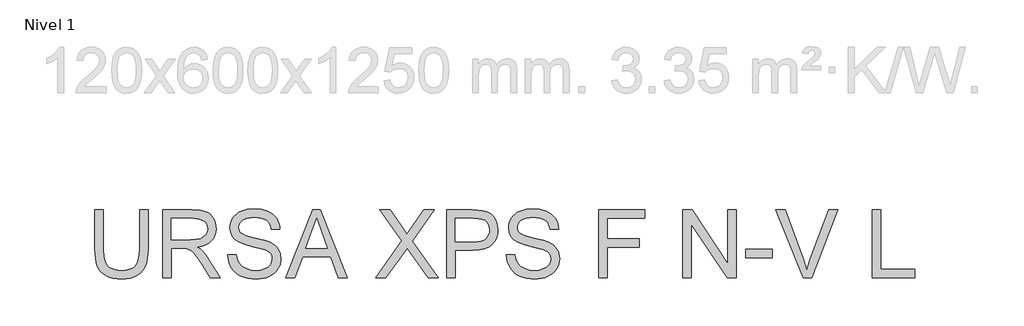
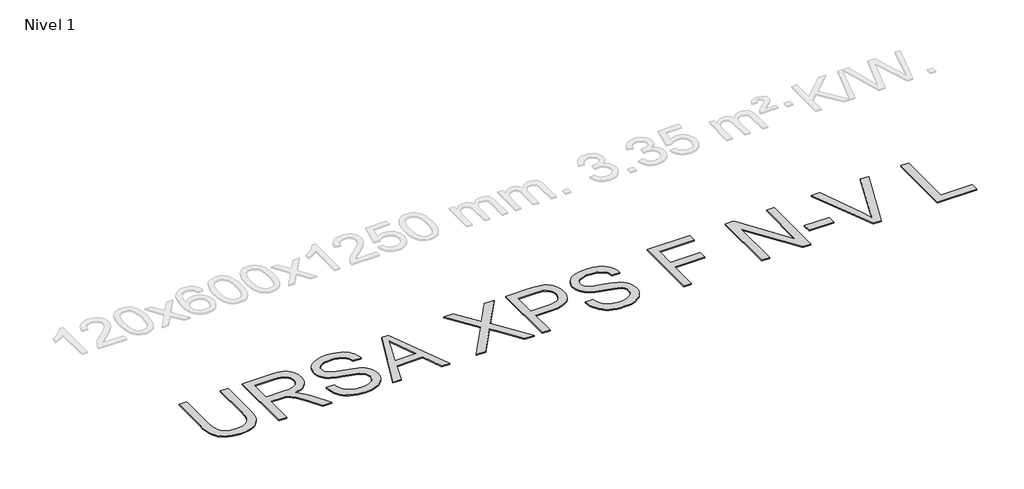
# One storey, part 4 of 6: 1 proxy.
"""IFC4 building model written with IfcOpenShell, lengths in millimetres."""

from ifc_helpers import new_model, si_unit, origin, origin_with_axes, place, context, project, spatial, polyline, outline, extrude, element, save

model = new_model("IFC4")

# Units and contexts
model_context = context("Model", 3, world=origin())
ifc_project = project(units=[si_unit("LENGTHUNIT", "METRE", prefix="MILLI")], contexts=[model_context])

# Site, building, storey
site = spatial("IfcSite", under=ifc_project)
building = spatial("IfcBuilding", under=site)
storey = spatial("IfcBuildingStorey", under=building, Name="Nivel 1", Elevation=0.0)

# Proxy
placement = place(None, origin())
element("IfcBuildingElementProxy", 1, Name="Texto de modelo 3", ObjectType="Texto de modelo 3", at=placement, inside=storey, context=model_context, shape_type="SweptSolid", body=[
    extrude(outline(polyline([(-12572.7237179, -13823.3522814), (-12497.3814853, -13823.3522814), (-12497.3814853, -14171.0743432), (-12502.495045, -14252.5050228), (-12508.8869947, -14286.1984151), (-12517.8357242, -14315.2105089), (-12530.1137858, -14340.6403518), (-12546.4937316, -14363.5869913), (-12566.9755617, -14384.0504273), (-12591.559276, -14402.0306598), (-12620.2724657, -14416.6769617), (-12653.142722, -14427.1386059), (-12690.1700448, -14433.4155925), (-12731.3544342, -14435.5079213), (-12771.5225495, -14433.6869055), (-12807.8554951, -14428.2238578), (-12840.3532708, -14419.1187784), (-12869.0158768, -14406.3716673), (-12893.8479115, -14390.1710639), (-12914.8539734, -14370.7055079), (-12932.0340626, -14347.9749991), (-12945.388179, -14321.9795376), (-12955.3991678, -14291.8270096), (-12962.5498741, -14256.6253012), (-12966.8402978, -14216.3744124), (-12968.2704391, -14171.0743432), (-12968.2704391, -13823.3522814), (-12892.9282065, -13823.3522814), (-12892.9282065, -14168.4255928), (-12889.2125983, -14236.134274), (-12878.0657739, -14283.2783517), (-12869.3009853, -14300.6561775), (-12857.8690523, -14315.9278788), (-12843.7699749, -14329.0934557), (-12827.0037529, -14340.1529082), (-12786.7574627, -14355.1624936), (-12738.4177685, -14360.1656887), (-12696.8930883, -14357.6916823), (-12661.7879489, -14350.269663), (-12633.1023503, -14337.899631), (-12610.8362926, -14320.581586), (-12594.1620411, -14296.227798), (-12582.2518615, -14262.7505364), (-12575.1057538, -14220.1498014), (-12572.7237179, -14168.4255928), (-12572.7237179, -13823.3522814)])), origin_with_axes(), (0.0, 0.0, 1.0), 10.0),
    extrude(outline(polyline([(-12365.5325782, -14426.0901423), (-12365.5325782, -13823.3522814), (-12105.8078896, -13823.3522814), (-12036.002281, -13827.4173774), (-11985.2161716, -13839.6126655), (-11965.6172583, -13849.3063561), (-11948.0968783, -13862.1270436), (-11932.6550315, -13878.0747281), (-11919.291718, -13897.1494096), (-11908.5081771, -13918.3256169), (-11900.8056478, -13940.5778791), (-11896.1841302, -13963.9061961), (-11894.6436244, -13988.310568), (-11897.1958057, -14019.2678379), (-11904.8523497, -14047.686722), (-11917.6132564, -14073.5672204), (-11935.4785258, -14096.909333), (-11958.6780841, -14116.9680988), (-11987.4418576, -14132.9985567), (-12021.7698463, -14145.0007068), (-12061.6620502, -14152.974549), (-12036.8300155, -14169.198145), (-12018.8405859, -14185.2010118), (-11987.9752865, -14221.8052703), (-11957.7721747, -14262.7505364), (-11857.2668136, -14426.0901423), (-11944.8227285, -14426.0901423), (-12023.2551699, -14301.1574167), (-12079.9089971, -14218.4575442), (-12100.9702414, -14194.3428794), (-12119.713829, -14179.3884763), (-12155.5455353, -14165.0410785), (-12199.2499164, -14162.3923281), (-12290.1903456, -14162.3923281), (-12290.1903456, -14426.0901423), (-12365.5325782, -14426.0901423)]), holes=[polyline([(-12290.1903456, -14087.0500955), (-12121.553239, -14087.0500955), (-12073.1215743, -14084.382951), (-12035.5424285, -14076.3815176), (-12007.2523031, -14062.5123664), (-11986.6876996, -14042.2420685), (-11974.1613176, -14017.7227335), (-11969.985857, -13991.1064712), (-11971.9770183, -13971.8386517), (-11977.9505022, -13954.3550598), (-11987.9063087, -13938.6556957), (-12001.8444378, -13924.7405592), (-12020.0867862, -13913.3454144), (-12042.9552507, -13905.2060253), (-12070.4498313, -13900.3223918), (-12102.570528, -13898.694514), (-12290.1903456, -13898.694514), (-12290.1903456, -14087.0500955)])]), origin_with_axes(), (0.0, 0.0, 1.0), 10.0),
    extrude(outline(polyline([(-11791.0480545, -14218.8990026), (-11715.7058219, -14218.8990026), (-11707.060595, -14260.7087913), (-11691.4256102, -14294.3148116), (-11667.0350339, -14320.9862562), (-11632.1230326, -14341.9923182), (-11589.4487212, -14355.6223461), (-11541.7712146, -14360.1656887), (-11499.7958789, -14356.7259921), (-11463.0444676, -14346.4069021), (-11433.2644201, -14330.0729415), (-11412.2031759, -14308.588633), (-11399.6767939, -14283.9221452), (-11395.5013333, -14258.0416469), (-11398.6283303, -14232.8233361), (-11408.0093211, -14211.0263279), (-11427.0656085, -14192.429893), (-11459.2184949, -14176.8133023), (-11568.9209058, -14148.0449303), (-11640.9338064, -14129.007037), (-11687.0110263, -14110.8888488), (-11724.5165957, -14085.5417793), (-11751.0960698, -14054.8236327), (-11766.9333897, -14019.3965966), (-11772.2124964, -13979.9228585), (-11770.58002, -13957.4866553), (-11765.6825909, -13935.7954132), (-11757.5202092, -13914.8491321), (-11746.0928747, -13894.647812), (-11731.5293462, -13876.014589), (-11713.9583824, -13859.7725989), (-11693.3799833, -13845.9218418), (-11669.7941489, -13834.4623176), (-11616.7823534, -13819.0664561), (-11558.1051752, -13813.9345023), (-11494.5351664, -13819.3055794), (-11438.9114087, -13835.4188108), (-11414.5760148, -13847.4209609), (-11393.2204649, -13861.9431027), (-11374.8447593, -13878.9852361), (-11359.4488978, -13898.5473612), (-11347.1524421, -13920.0592608), (-11338.0749539, -13942.950718), (-11332.2164331, -13967.2217326), (-11329.5768798, -13992.8723047), (-11404.9191124, -13992.8723047), (-11409.9590957, -13968.8312163), (-11418.7514754, -13947.9171249), (-11431.2962514, -13930.1300305), (-11447.5934238, -13915.4699329), (-11467.9464952, -13904.0104088), (-11492.6589682, -13895.8250344), (-11521.7308429, -13890.9138098), (-11555.1621192, -13889.2767349), (-11589.6602533, -13890.8954157), (-11619.1367982, -13895.751458), (-11643.5917538, -13903.8448619), (-11663.0251202, -13915.1756274), (-11677.8323705, -13928.7964582), (-11688.4089779, -13943.7600584), (-11694.7549423, -13960.0664278), (-11696.8702638, -13977.7155665), (-11695.3711446, -13992.8998959), (-11690.8737872, -14006.6678796), (-11683.3781916, -14019.0195175), (-11672.8843577, -14029.9548098), (-11656.3664561, -14040.310688), (-11630.357199, -14050.7769308), (-11549.8646185, -14072.0405101), (-11466.796864, -14092.2372316), (-11416.5441834, -14109.8587792), (-11373.5939605, -14137.1924114), (-11356.9886869, -14153.2596576), (-11343.629972, -14170.9271904), (-11333.3614658, -14190.1030394), (-11326.0268185, -14210.6952341), (-11320.1591007, -14256.1286605), (-11321.8467593, -14279.6961008), (-11326.9097353, -14302.5737624), (-11335.3480286, -14324.7616452), (-11347.1616391, -14346.2597493), (-11362.1436334, -14366.2357416), (-11380.0870777, -14383.8572892), (-11400.9919721, -14399.124392), (-11424.8583165, -14412.03705), (-11450.9917337, -14422.3055562), (-11478.6978465, -14429.6402035), (-11538.8281586, -14435.5079213), (-11577.3683961, -14433.9260288), (-11612.643681, -14429.180351), (-11644.6540131, -14421.2708881), (-11673.3993925, -14410.1976401), (-11699.0545631, -14395.9422127), (-11721.7942689, -14378.4862121), (-11741.6185099, -14357.829638), (-11758.5272861, -14333.9724907), (-11772.148117, -14307.6873221), (-11782.108522, -14279.7466846), (-11788.4085012, -14250.1505781), (-11791.0480545, -14218.8990026)])), origin_with_axes(), (0.0, 0.0, 1.0), 10.0),
    extrude(outline(polyline([(-11277.3376365, -14426.0901423), (-11036.7428116, -13823.3522814), (-10972.5841916, -13823.3522814), (-10731.9893668, -14426.0901423), (-10811.5990306, -14426.0901423), (-10880.6136929, -14237.7345607), (-11128.8604632, -14237.7345607), (-11197.7279727, -14426.0901423), (-11277.3376365, -14426.0901423)]), holes=[polyline([(-11101.1957372, -14162.3923281), (-10908.1312661, -14162.3923281), (-10962.4306486, -14014.2094605), (-11004.6635016, -13898.694514), (-11042.1874651, -14001.2600142), (-11101.1957372, -14162.3923281)])]), origin_with_axes(), (0.0, 0.0, 1.0), 10.0),
    extrude(outline(polyline([(-10481.9767629, -14426.0901423), (-10249.6224947, -14097.645097), (-10444.3056466, -13823.3522814), (-10353.9538286, -13823.3522814), (-10244.324994, -13977.7155665), (-10218.1685841, -14016.8214226), (-10207.3896417, -14037.9010609), (-10164.126719, -13976.6854969), (-10055.6751069, -13823.3522814), (-9963.9989137, -13823.3522814), (-10158.6820655, -14098.5280137), (-9926.3277974, -14426.0901423), (-10016.6796154, -14426.0901423), (-10171.4843589, -14207.7153899), (-10203.7108217, -14162.3923281), (-10239.1746461, -14212.1299739), (-10390.3005697, -14426.0901423), (-10481.9767629, -14426.0901423)])), origin_with_axes(), (0.0, 0.0, 1.0), 10.0),
    extrude(outline(polyline([(-9850.9855648, -14426.0901423), (-9850.9855648, -13823.3522814), (-9627.6076173, -13823.3522814), (-9575.5891032, -13824.7870211), (-9537.5501049, -13829.0912405), (-9497.3957851, -13839.8150006), (-9464.3415878, -13857.2710013), (-9437.7253255, -13882.2501888), (-9416.8848104, -13915.5435093), (-9403.4203294, -13954.8149123), (-9398.9321691, -13997.7283471), (-9401.962597, -14034.7280787), (-9411.0538808, -14068.7663603), (-9426.2060205, -14099.8431919), (-9447.419016, -14127.9585734), (-9476.5414745, -14151.2638978), (-9515.4220029, -14167.910558), (-9564.0606011, -14177.8985542), (-9622.4572693, -14181.2278863), (-9775.6433321, -14181.2278863), (-9775.6433321, -14426.0901423), (-9850.9855648, -14426.0901423)]), holes=[polyline([(-9775.6433321, -14105.8856537), (-9618.0426854, -14105.8856537), (-9581.8063089, -14104.1566083), (-9551.2353151, -14098.9694721), (-9526.329704, -14090.3242453), (-9507.0894757, -14078.2209276), (-9492.7328808, -14062.981416), (-9482.4781702, -14044.9276071), (-9476.3253438, -14024.0595009), (-9474.2744017, -14000.3770974), (-9479.1120499, -13966.5319539), (-9493.6249946, -13937.9843111), (-9516.010614, -13916.5000025), (-9544.4662864, -13903.8448619), (-9573.528964, -13899.982101), (-9619.808519, -13898.694514), (-9775.6433321, -13898.694514), (-9775.6433321, -14105.8856537)])]), origin_with_axes(), (0.0, 0.0, 1.0), 10.0),
    extrude(outline(polyline([(-9323.5899365, -14218.8990026), (-9248.2477039, -14218.8990026), (-9239.602477, -14260.7087913), (-9223.9674922, -14294.3148116), (-9199.5769159, -14320.9862562), (-9164.6649146, -14341.9923182), (-9121.9906031, -14355.6223461), (-9074.3130965, -14360.1656887), (-9032.3377609, -14356.7259921), (-8995.5863496, -14346.4069021), (-8965.8063021, -14330.0729415), (-8944.7450578, -14308.588633), (-8932.2186759, -14283.9221452), (-8928.0432153, -14258.0416469), (-8931.1702122, -14232.8233361), (-8940.5512031, -14211.0263279), (-8959.6074904, -14192.429893), (-8991.7603768, -14176.8133023), (-9101.4627878, -14148.0449303), (-9173.4756883, -14129.007037), (-9219.5529082, -14110.8888488), (-9257.0584776, -14085.5417793), (-9283.6379518, -14054.8236327), (-9299.4752717, -14019.3965966), (-9304.7543783, -13979.9228585), (-9303.121902, -13957.4866553), (-9298.2244729, -13935.7954132), (-9290.0620911, -13914.8491321), (-9278.6347567, -13894.647812), (-9264.0712282, -13876.014589), (-9246.5002644, -13859.7725989), (-9225.9218653, -13845.9218418), (-9202.3360309, -13834.4623176), (-9149.3242354, -13819.0664561), (-9090.6470571, -13813.9345023), (-9027.0770484, -13819.3055794), (-8971.4532907, -13835.4188108), (-8947.1178967, -13847.4209609), (-8925.7623469, -13861.9431027), (-8907.3866412, -13878.9852361), (-8891.9907797, -13898.5473612), (-8879.694324, -13920.0592608), (-8870.6168358, -13942.950718), (-8864.758315, -13967.2217326), (-8862.1187617, -13992.8723047), (-8937.4609943, -13992.8723047), (-8942.5009777, -13968.8312163), (-8951.2933573, -13947.9171249), (-8963.8381334, -13930.1300305), (-8980.1353058, -13915.4699329), (-9000.4883772, -13904.0104088), (-9025.2008502, -13895.8250344), (-9054.2727248, -13890.9138098), (-9087.7040012, -13889.2767349), (-9122.2021353, -13890.8954157), (-9151.6786801, -13895.751458), (-9176.1336357, -13903.8448619), (-9195.5670021, -13915.1756274), (-9210.3742525, -13928.7964582), (-9220.9508598, -13943.7600584), (-9227.2968242, -13960.0664278), (-9229.4121457, -13977.7155665), (-9227.9130266, -13992.8998959), (-9223.4156692, -14006.6678796), (-9215.9200735, -14019.0195175), (-9205.4262396, -14029.9548098), (-9188.908338, -14040.310688), (-9162.899081, -14050.7769308), (-9082.4065004, -14072.0405101), (-8999.3387459, -14092.2372316), (-8949.0860654, -14109.8587792), (-8906.1358424, -14137.1924114), (-8889.5305689, -14153.2596576), (-8876.1718539, -14170.9271904), (-8865.9033477, -14190.1030394), (-8858.5687005, -14210.6952341), (-8852.7009826, -14256.1286605), (-8854.3886413, -14279.6961008), (-8859.4516173, -14302.5737624), (-8867.8899105, -14324.7616452), (-8879.7035211, -14346.2597493), (-8894.6855153, -14366.2357416), (-8912.6289597, -14383.8572892), (-8933.533854, -14399.124392), (-8957.4001985, -14412.03705), (-8983.5336157, -14422.3055562), (-9011.2397285, -14429.6402035), (-9071.3700406, -14435.5079213), (-9109.9102781, -14433.9260288), (-9145.1855629, -14429.180351), (-9177.195895, -14421.2708881), (-9205.9412744, -14410.1976401), (-9231.596445, -14395.9422127), (-9254.3361509, -14378.4862121), (-9274.1603919, -14357.829638), (-9291.0691681, -14333.9724907), (-9304.689999, -14307.6873221), (-9314.650404, -14279.7466846), (-9320.9503832, -14250.1505781), (-9323.5899365, -14218.8990026)])), origin_with_axes(), (0.0, 0.0, 1.0), 10.0),
    extrude(outline(polyline([(-8504.2431568, -14426.0901423), (-8504.2431568, -13823.3522814), (-8099.2786565, -13823.3522814), (-8099.2786565, -13898.694514), (-8428.9009242, -13898.694514), (-8428.9009242, -14077.6323164), (-8146.3675519, -14077.6323164), (-8146.3675519, -14152.974549), (-8428.9009242, -14152.974549), (-8428.9009242, -14426.0901423), (-8504.2431568, -14426.0901423)])), origin_with_axes(), (0.0, 0.0, 1.0), 10.0),
    extrude(outline(polyline([(-7760.2386098, -14426.0901423), (-7760.2386098, -13823.3522814), (-7679.5988764, -13823.3522814), (-7364.6918885, -14300.8631111), (-7364.6918885, -13823.3522814), (-7289.3496559, -13823.3522814), (-7289.3496559, -14426.0901423), (-7369.9893893, -14426.0901423), (-7684.8963772, -13948.4321597), (-7684.8963772, -14426.0901423), (-7760.2386098, -14426.0901423)])), origin_with_axes(), (0.0, 0.0, 1.0), 10.0),
    extrude(outline(polyline([(-7204.5896442, -14247.1523398), (-7204.5896442, -14171.8101072), (-6969.1451673, -14171.8101072), (-6969.1451673, -14247.1523398), (-7204.5896442, -14247.1523398)])), origin_with_axes(), (0.0, 0.0, 1.0), 10.0),
    extrude(outline(polyline([(-6696.9124909, -14426.0901423), (-6936.7715518, -13823.3522814), (-6856.1318184, -13823.3522814), (-6695.5881157, -14257.6001885), (-6663.0673473, -14355.4567992), (-6630.9880374, -14257.6001885), (-6470.0028763, -13823.3522814), (-6389.3631429, -13823.3522814), (-6619.0686607, -14426.0901423), (-6696.9124909, -14426.0901423)])), origin_with_axes(), (0.0, 0.0, 1.0), 10.0),
    extrude(outline(polyline([(-6083.8739341, -14426.0901423), (-6083.8739341, -13823.3522814), (-6008.5317015, -13823.3522814), (-6008.5317015, -14350.7479096), (-5707.1627711, -14350.7479096), (-5707.1627711, -14426.0901423), (-6083.8739341, -14426.0901423)])), origin_with_axes(), (0.0, 0.0, 1.0), 10.0),
])

save(model, "model.ifc")
